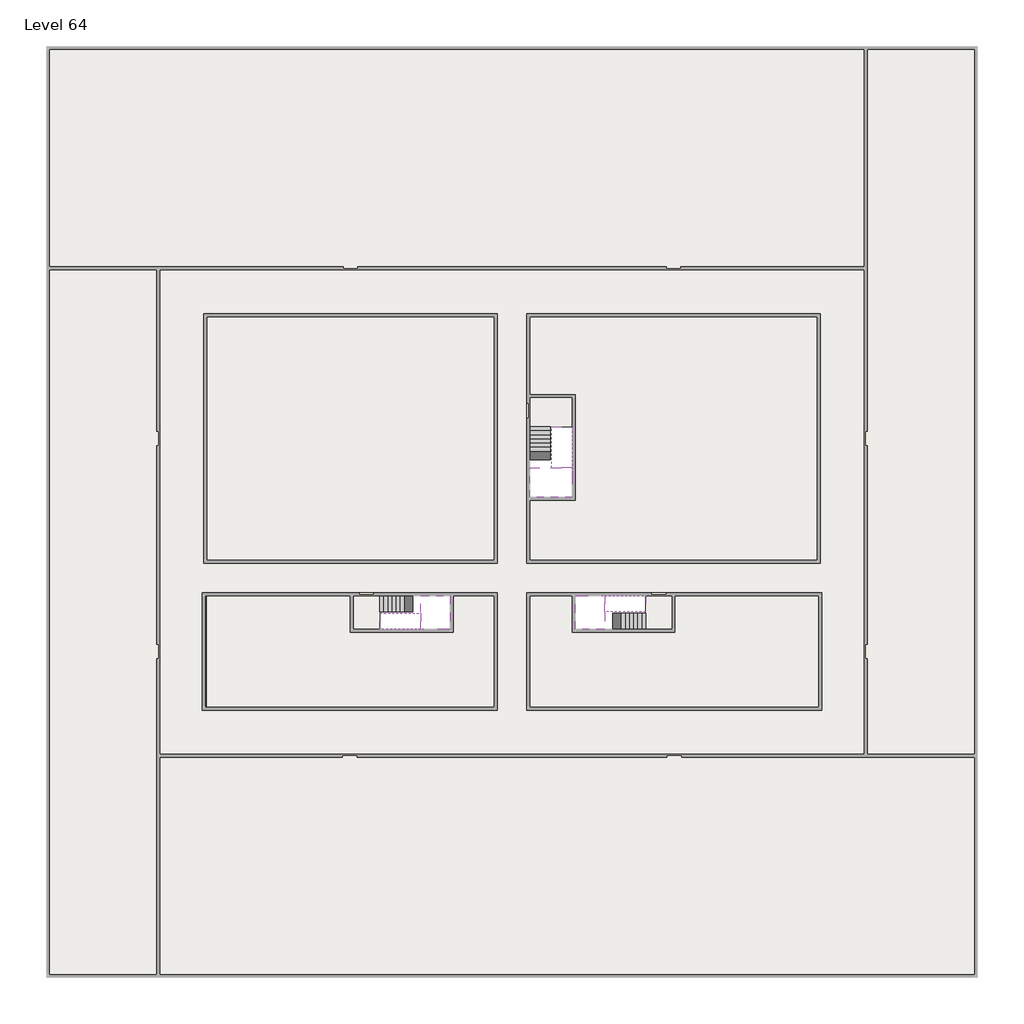
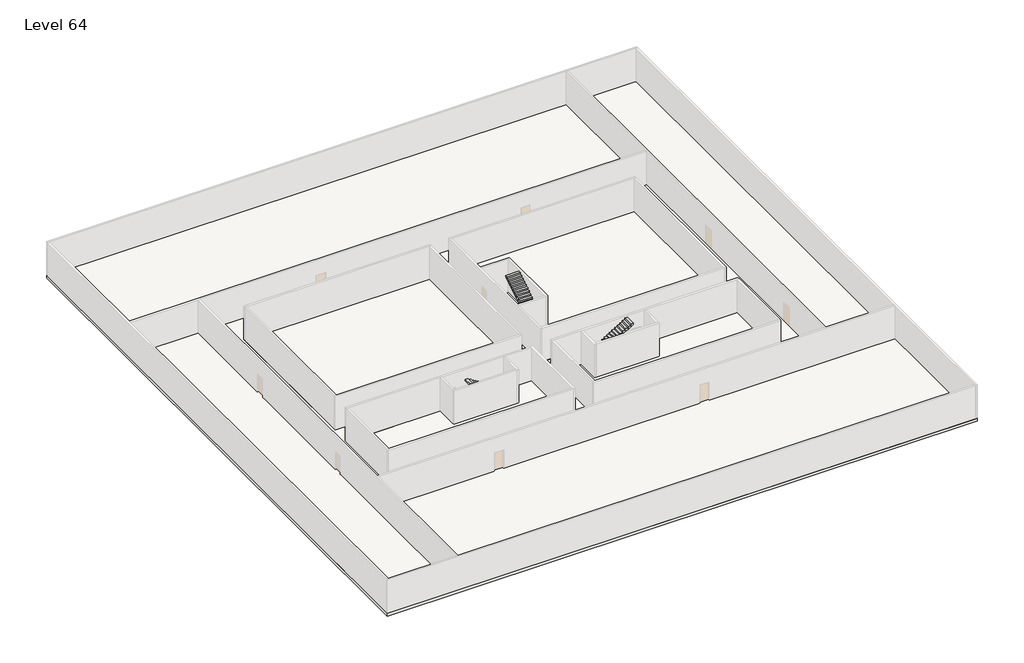
# One storey, part 2 of 2: 6 slabs, 6 stair flights.
"""IFC4 building model written with IfcOpenShell, lengths in millimetres."""

from ifc_helpers import new_model, si_unit, frame, origin, place, context, project, spatial, polyline, outline, extrude, faceted_brep, element, save

model = new_model("IFC4")

# Units and contexts
model_context = context("Model", 3, world=origin())
ifc_project = project(units=[si_unit("LENGTHUNIT", "METRE", prefix="MILLI")], contexts=[model_context])

# Site, building, storey
site = spatial("IfcSite", under=ifc_project)
building = spatial("IfcBuilding", under=site)
storey = spatial("IfcBuildingStorey", under=building, Name="Level 64", Elevation=239400.0)

# Slabs
placement = place(None, origin())
element("IfcSlab", 1, at=placement, inside=storey, context=model_context, shape_type="SweptSolid", body=[
    extrude(outline(polyline([(55890.1058784, -5518.09644), (55890.1058784, -68918.09644), (-7509.8941216, -68918.09644), (-7509.8941216, -5518.09644), (55890.1058784, -5518.09644)]), holes=[polyline([(23190.1058784, -23718.09644), (3190.1058784, -23718.09644), (3190.1058784, -40718.09644), (23190.1058784, -40718.09644), (23190.1058784, -23718.09644)]), polyline([(45190.1058784, -23718.09644), (25190.1058784, -23718.09644), (25190.1058784, -40718.09644), (45190.1058784, -40718.09644), (45190.1058784, -23718.09644)]), polyline([(23190.1058784, -50718.09644), (23190.1058784, -42718.09644), (3390.1058784, -42718.09644), (3390.1058784, -50718.09644), (23190.1058784, -50718.09644)]), polyline([(25190.1058784, -50718.09644), (45190.1058784, -50718.09644), (45190.1058784, -42718.09644), (25190.1058784, -42718.09644), (25190.1058784, -50718.09644)])]), frame((0.0, 0.0, 239100.0), z_axis=(0.0, 0.0, 1.0), x_axis=(1.0, 0.0, 0.0)), (0.0, 0.0, 1.0), 300.0),
])
element("IfcSlab", 2, at=placement, inside=storey, context=model_context, shape_type="Brep", body=[
    faceted_brep([(26790.1058784, -34218.09644, 241300.0), (25390.1058784, -34218.09644, 241300.0), (25390.1058784, -34297.4828763, 241300.0), (25390.1058784, -36218.09644, 241300.0), (28290.1058784, -36218.09644, 241300.0), (28290.1058784, -34418.7100038, 241300.0), (28290.1058784, -34218.09644, 241300.0), (26890.1058784, -34218.09644, 241300.0), (26790.1058784, -34218.09644, 241000.0), (26790.1058784, -34218.09644, 240951.0278478), (25390.1058784, -34218.09644, 240951.0278478), (25390.1058784, -34218.09644, 241127.2727273), (25390.1058784, -34297.4828763, 241000.0), (25390.1058784, -36218.09644, 241000.0), (28290.1058784, -36218.09644, 241000.0), (28290.1058784, -34418.7100038, 241000.0), (28290.1058784, -34218.09644, 241123.7551205), (26890.1058784, -34218.09644, 241123.7551205), (26890.1058784, -34218.09644, 241000.0), (26890.1058784, -34418.7100038, 241000.0), (26790.1058784, -34297.4828763, 241000.0)], [[[0, 1, 2, 3, 4, 5, 6, 7]], [[1, 0, 8, 9, 10, 11]], [[1, 11, 10, 12, 13, 3, 2]], [[4, 3, 13, 14]], [[4, 14, 15, 16, 6, 5]], [[7, 6, 16, 17]], [[0, 7, 17, 18, 8]], [[18, 19, 15, 14, 13, 12, 20, 8]], [[19, 18, 17]], [[20, 12, 10, 9]], [[8, 20, 9]], [[15, 19, 17, 16]]]),
])
element("IfcSlab", 3, at=placement, inside=storey, context=model_context, shape_type="SweptSolid", body=[
    extrude(outline(polyline([(22990.1058784, -23918.09644), (22990.1058784, -40518.09644), (3390.1058784, -40518.09644), (3390.1058784, -23918.09644), (22990.1058784, -23918.09644)])), frame((0.0, 0.0, 239100.0), z_axis=(0.0, 0.0, 1.0), x_axis=(1.0, 0.0, 0.0)), (0.0, 0.0, 1.0), 300.0),
    extrude(outline(polyline([(44990.1058784, -23918.09644), (44990.1058784, -40518.09644), (25390.1058784, -40518.09644), (25390.1058784, -36418.09644), (28490.1058784, -36418.09644), (28490.1058784, -29218.09644), (25390.1058784, -29218.09644), (25390.1058784, -23918.09644), (44990.1058784, -23918.09644)])), frame((0.0, 0.0, 239100.0), z_axis=(0.0, 0.0, 1.0), x_axis=(1.0, 0.0, 0.0)), (0.0, 0.0, 1.0), 300.0),
    extrude(outline(polyline([(22990.1058784, -42918.09644), (22990.1058784, -50518.09644), (3390.1058784, -50518.09644), (3390.1058784, -42918.09644), (13190.1058784, -42918.09644), (13190.1058784, -45418.09644), (20190.1058784, -45418.09644), (20190.1058784, -42918.09644), (22990.1058784, -42918.09644)])), frame((0.0, 0.0, 239100.0), z_axis=(0.0, 0.0, 1.0), x_axis=(1.0, 0.0, 0.0)), (0.0, 0.0, 1.0), 300.0),
    extrude(outline(polyline([(28290.1058784, -42918.09644), (28290.1058784, -45418.09644), (35290.1058784, -45418.09644), (35290.1058784, -42918.09644), (45090.1058784, -42918.09644), (45090.1058784, -50518.09644), (25390.1058784, -50518.09644), (25390.1058784, -42918.09644), (28290.1058784, -42918.09644)])), frame((0.0, 0.0, 239100.0), z_axis=(0.0, 0.0, 1.0), x_axis=(1.0, 0.0, 0.0)), (0.0, 0.0, 1.0), 300.0),
])
element("IfcSlab", 4, at=placement, inside=storey, context=model_context, shape_type="Brep", body=[
    faceted_brep([(30490.1058784, -45218.09644, 241300.0), (30490.1058784, -44118.09644, 241300.0), (30490.1058784, -44018.09644, 241300.0), (30490.1058784, -42918.09644, 241300.0), (30289.4923146, -42918.09644, 241300.0), (28490.1058784, -42918.09644, 241300.0), (28490.1058784, -45218.09644, 241300.0), (30410.7194421, -45218.09644, 241300.0), (30490.1058784, -45218.09644, 241127.2727273), (30490.1058784, -45218.09644, 240951.0278478), (30490.1058784, -44118.09644, 240951.0278478), (30490.1058784, -44118.09644, 241000.0), (30490.1058784, -44018.09644, 241000.0), (30490.1058784, -44018.09644, 241123.7551205), (30490.1058784, -42918.09644, 241123.7551205), (30289.4923146, -42918.09644, 241000.0), (28490.1058784, -42918.09644, 241000.0), (28490.1058784, -45218.09644, 241000.0), (30410.7194421, -45218.09644, 241000.0), (30289.4923146, -44018.09644, 241000.0), (30410.7194421, -44118.09644, 241000.0)], [[[0, 1, 2, 3, 4, 5, 6, 7]], [[1, 0, 8, 9, 10, 11]], [[2, 1, 11, 12, 13]], [[3, 2, 13, 14]], [[3, 14, 15, 16, 5, 4]], [[6, 5, 16, 17]], [[9, 8, 0, 7, 6, 17, 18]], [[19, 12, 11, 20, 18, 17, 16, 15]], [[12, 19, 13]], [[18, 20, 10, 9]], [[20, 11, 10]], [[19, 15, 14, 13]]]),
])
element("IfcSlab", 5, at=placement, inside=storey, context=model_context, shape_type="Brep", body=[
    faceted_brep([(17990.1058784, -42918.09644, 241300.0), (17990.1058784, -44018.09644, 241300.0), (17990.1058784, -44118.09644, 241300.0), (17990.1058784, -45218.09644, 241300.0), (18190.7194421, -45218.09644, 241300.0), (19990.1058784, -45218.09644, 241300.0), (19990.1058784, -42918.09644, 241300.0), (18069.4923146, -42918.09644, 241300.0), (17990.1058784, -42918.09644, 241127.2727273), (17990.1058784, -42918.09644, 240951.0278478), (17990.1058784, -44018.09644, 240951.0278478), (17990.1058784, -44018.09644, 241000.0), (17990.1058784, -44118.09644, 241000.0), (17990.1058784, -44118.09644, 241123.7551205), (17990.1058784, -45218.09644, 241123.7551205), (18190.7194421, -45218.09644, 241000.0), (19990.1058784, -45218.09644, 241000.0), (19990.1058784, -42918.09644, 241000.0), (18069.4923146, -42918.09644, 241000.0), (18190.7194421, -44118.09644, 241000.0), (18069.4923146, -44018.09644, 241000.0)], [[[0, 1, 2, 3, 4, 5, 6, 7]], [[1, 0, 8, 9, 10, 11]], [[2, 1, 11, 12, 13]], [[3, 2, 13, 14]], [[3, 14, 15, 16, 5, 4]], [[6, 5, 16, 17]], [[9, 8, 0, 7, 6, 17, 18]], [[19, 12, 11, 20, 18, 17, 16, 15]], [[12, 19, 13]], [[18, 20, 10, 9]], [[20, 11, 10]], [[19, 15, 14, 13]]]),
])
element("IfcSlab", 6, at=placement, inside=storey, context=model_context, shape_type="SweptSolid", body=[
    extrude(outline(polyline([(25190.1058784, -29418.09644), (28290.1058784, -29418.09644), (28290.1058784, -31418.09644), (25190.1058784, -31418.09644), (25190.1058784, -29418.09644)])), frame((0.0, 0.0, 239100.0), z_axis=(0.0, 0.0, 1.0), x_axis=(1.0, 0.0, 0.0)), (0.0, 0.0, 1.0), 300.0),
    extrude(outline(polyline([(15190.1058784, -45218.09644), (13390.1058784, -45218.09644), (13390.1058784, -42718.09644), (15190.1058784, -42718.09644), (15190.1058784, -45218.09644)])), frame((0.0, 0.0, 239100.0), z_axis=(0.0, 0.0, 1.0), x_axis=(1.0, 0.0, 0.0)), (0.0, 0.0, 1.0), 300.0),
    extrude(outline(polyline([(35090.1058784, -45218.09644), (33290.1058784, -45218.09644), (33290.1058784, -42718.09644), (35090.1058784, -42718.09644), (35090.1058784, -45218.09644)])), frame((0.0, 0.0, 239100.0), z_axis=(0.0, 0.0, 1.0), x_axis=(1.0, 0.0, 0.0)), (0.0, 0.0, 1.0), 300.0),
])

# Stair flights
element("IfcStairFlight", 7, at=placement, inside=storey, context=model_context, shape_type="Brep", body=[
    faceted_brep([(26790.1058784, -31698.09644, 239572.7272727), (26790.1058784, -31418.09644, 239572.7272727), (25390.1058784, -31418.09644, 239572.7272727), (25390.1058784, -31698.09644, 239572.7272727), (26790.1058784, -31698.09644, 239400.0), (26790.1058784, -31418.09644, 239400.0), (25390.1058784, -31418.09644, 239400.0), (25390.1058784, -31698.09644, 239400.0), (26790.1058784, -31978.09644, 239745.4545455), (26790.1058784, -31698.09644, 239745.4545455), (25390.1058784, -31698.09644, 239745.4545455), (25390.1058784, -31978.09644, 239745.4545455), (26790.1058784, -31978.09644, 239569.209666), (26790.1058784, -31703.7986657, 239400.0), (25390.1058784, -31703.7986657, 239400.0), (25390.1058784, -31978.09644, 239569.209666), (26790.1058784, -32258.09644, 239918.1818182), (26790.1058784, -31978.09644, 239918.1818182), (25390.1058784, -31978.09644, 239918.1818182), (25390.1058784, -32258.09644, 239918.1818182), (26790.1058784, -32258.09644, 239741.9369387), (25390.1058784, -32258.09644, 239741.9369387), (26790.1058784, -32538.09644, 240090.9090909), (26790.1058784, -32258.09644, 240090.9090909), (25390.1058784, -32258.09644, 240090.9090909), (25390.1058784, -32538.09644, 240090.9090909), (26790.1058784, -32538.09644, 239914.6642114), (25390.1058784, -32538.09644, 239914.6642114), (26790.1058784, -32818.09644, 240263.6363636), (26790.1058784, -32538.09644, 240263.6363636), (25390.1058784, -32538.09644, 240263.6363636), (25390.1058784, -32818.09644, 240263.6363636), (26790.1058784, -32818.09644, 240087.3914841), (25390.1058784, -32818.09644, 240087.3914841), (26790.1058784, -33098.09644, 240436.3636364), (26790.1058784, -32818.09644, 240436.3636364), (25390.1058784, -32818.09644, 240436.3636364), (25390.1058784, -33098.09644, 240436.3636364), (26790.1058784, -33098.09644, 240260.1187569), (25390.1058784, -33098.09644, 240260.1187569), (26790.1058784, -33378.09644, 240609.0909091), (26790.1058784, -33098.09644, 240609.0909091), (25390.1058784, -33098.09644, 240609.0909091), (25390.1058784, -33378.09644, 240609.0909091), (26790.1058784, -33378.09644, 240432.8460296), (25390.1058784, -33378.09644, 240432.8460296), (26790.1058784, -33658.09644, 240781.8181818), (26790.1058784, -33378.09644, 240781.8181818), (25390.1058784, -33378.09644, 240781.8181818), (25390.1058784, -33658.09644, 240781.8181818), (26790.1058784, -33658.09644, 240605.5733023), (25390.1058784, -33658.09644, 240605.5733023), (26790.1058784, -33938.09644, 240954.5454545), (26790.1058784, -33658.09644, 240954.5454545), (25390.1058784, -33658.09644, 240954.5454545), (25390.1058784, -33938.09644, 240954.5454545), (26790.1058784, -33938.09644, 240778.3005751), (25390.1058784, -33938.09644, 240778.3005751), (26790.1058784, -34218.09644, 241127.2727273), (26790.1058784, -33938.09644, 241127.2727273), (25390.1058784, -33938.09644, 241127.2727273), (25390.1058784, -34218.09644, 241127.2727273), (26790.1058784, -34218.09644, 241000.0), (26790.1058784, -34218.09644, 240951.0278478), (25390.1058784, -34218.09644, 240951.0278478)], [[[0, 1, 2, 3]], [[1, 0, 4, 5]], [[2, 1, 5, 6]], [[3, 2, 6, 7]], [[8, 9, 10, 11]], [[4, 0, 9, 8, 12, 13]], [[0, 3, 10, 9]], [[3, 7, 14, 15, 11, 10]], [[16, 17, 18, 19]], [[17, 16, 20, 12, 8]], [[8, 11, 18, 17]], [[19, 18, 11, 15, 21]], [[22, 23, 24, 25]], [[23, 22, 26, 20, 16]], [[16, 19, 24, 23]], [[25, 24, 19, 21, 27]], [[28, 29, 30, 31]], [[29, 28, 32, 26, 22]], [[22, 25, 30, 29]], [[31, 30, 25, 27, 33]], [[34, 35, 36, 37]], [[35, 34, 38, 32, 28]], [[28, 31, 36, 35]], [[37, 36, 31, 33, 39]], [[40, 41, 42, 43]], [[41, 40, 44, 38, 34]], [[34, 37, 42, 41]], [[43, 42, 37, 39, 45]], [[46, 47, 48, 49]], [[47, 46, 50, 44, 40]], [[40, 43, 48, 47]], [[49, 48, 43, 45, 51]], [[52, 53, 54, 55]], [[53, 52, 56, 50, 46]], [[46, 49, 54, 53]], [[55, 54, 49, 51, 57]], [[58, 59, 60, 61]], [[59, 58, 62, 63, 56, 52]], [[52, 55, 60, 59]], [[61, 60, 55, 57, 64]], [[58, 61, 64, 63, 62]], [[5, 4, 13, 14, 7, 6]], [[14, 13, 12, 20, 26, 32, 38, 44, 50, 56, 63, 64, 57, 51, 45, 39, 33, 27, 21, 15]]]),
])
element("IfcStairFlight", 8, at=placement, inside=storey, context=model_context, shape_type="Brep", body=[
    faceted_brep([(26890.1058784, -33938.09644, 241472.7272727), (26890.1058784, -34218.09644, 241472.7272727), (28290.1058784, -34218.09644, 241472.7272727), (28290.1058784, -33938.09644, 241472.7272727), (26890.1058784, -33938.09644, 241296.4823932), (26890.1058784, -34218.09644, 241123.7551205), (28290.1058784, -34218.09644, 241123.7551205), (28290.1058784, -34218.09644, 241300.0), (28290.1058784, -33938.09644, 241296.4823932), (26890.1058784, -33658.09644, 241645.4545455), (26890.1058784, -33938.09644, 241645.4545455), (28290.1058784, -33938.09644, 241645.4545455), (28290.1058784, -33658.09644, 241645.4545455), (26890.1058784, -33658.09644, 241469.209666), (28290.1058784, -33658.09644, 241469.209666), (26890.1058784, -33378.09644, 241818.1818182), (26890.1058784, -33658.09644, 241818.1818182), (28290.1058784, -33658.09644, 241818.1818182), (28290.1058784, -33378.09644, 241818.1818182), (26890.1058784, -33378.09644, 241641.9369387), (28290.1058784, -33378.09644, 241641.9369387), (26890.1058784, -33098.09644, 241990.9090909), (26890.1058784, -33378.09644, 241990.9090909), (28290.1058784, -33378.09644, 241990.9090909), (28290.1058784, -33098.09644, 241990.9090909), (26890.1058784, -33098.09644, 241814.6642114), (28290.1058784, -33098.09644, 241814.6642114), (26890.1058784, -32818.09644, 242163.6363636), (26890.1058784, -33098.09644, 242163.6363636), (28290.1058784, -33098.09644, 242163.6363636), (28290.1058784, -32818.09644, 242163.6363636), (26890.1058784, -32818.09644, 241987.3914841), (28290.1058784, -32818.09644, 241987.3914841), (26890.1058784, -32538.09644, 242336.3636364), (26890.1058784, -32818.09644, 242336.3636364), (28290.1058784, -32818.09644, 242336.3636364), (28290.1058784, -32538.09644, 242336.3636364), (26890.1058784, -32538.09644, 242160.1187569), (28290.1058784, -32538.09644, 242160.1187569), (26890.1058784, -32258.09644, 242509.0909091), (26890.1058784, -32538.09644, 242509.0909091), (28290.1058784, -32538.09644, 242509.0909091), (28290.1058784, -32258.09644, 242509.0909091), (26890.1058784, -32258.09644, 242332.8460296), (28290.1058784, -32258.09644, 242332.8460296), (26890.1058784, -31978.09644, 242681.8181818), (26890.1058784, -32258.09644, 242681.8181818), (28290.1058784, -32258.09644, 242681.8181818), (28290.1058784, -31978.09644, 242681.8181818), (26890.1058784, -31978.09644, 242505.5733023), (28290.1058784, -31978.09644, 242505.5733023), (26890.1058784, -31698.09644, 242854.5454545), (26890.1058784, -31978.09644, 242854.5454545), (28290.1058784, -31978.09644, 242854.5454545), (28290.1058784, -31698.09644, 242854.5454545), (26890.1058784, -31698.09644, 242678.3005751), (28290.1058784, -31698.09644, 242678.3005751), (26890.1058784, -31418.09644, 243027.2727273), (26890.1058784, -31698.09644, 243027.2727273), (28290.1058784, -31698.09644, 243027.2727273), (28290.1058784, -31418.09644, 243027.2727273), (26890.1058784, -31418.09644, 242851.0278478), (28290.1058784, -31418.09644, 242851.0278478)], [[[0, 1, 2, 3]], [[1, 0, 4, 5]], [[2, 1, 5, 6, 7]], [[3, 2, 7, 6, 8]], [[9, 10, 11, 12]], [[10, 9, 13, 4, 0]], [[11, 10, 0, 3]], [[12, 11, 3, 8, 14]], [[15, 16, 17, 18]], [[16, 15, 19, 13, 9]], [[17, 16, 9, 12]], [[18, 17, 12, 14, 20]], [[21, 22, 23, 24]], [[22, 21, 25, 19, 15]], [[23, 22, 15, 18]], [[24, 23, 18, 20, 26]], [[27, 28, 29, 30]], [[28, 27, 31, 25, 21]], [[29, 28, 21, 24]], [[30, 29, 24, 26, 32]], [[33, 34, 35, 36]], [[34, 33, 37, 31, 27]], [[35, 34, 27, 30]], [[36, 35, 30, 32, 38]], [[39, 40, 41, 42]], [[40, 39, 43, 37, 33]], [[41, 40, 33, 36]], [[42, 41, 36, 38, 44]], [[45, 46, 47, 48]], [[46, 45, 49, 43, 39]], [[47, 46, 39, 42]], [[48, 47, 42, 44, 50]], [[51, 52, 53, 54]], [[52, 51, 55, 49, 45]], [[53, 52, 45, 48]], [[54, 53, 48, 50, 56]], [[57, 58, 59, 60]], [[58, 57, 61, 55, 51]], [[59, 58, 51, 54]], [[60, 59, 54, 56, 62]], [[57, 60, 62, 61]], [[5, 4, 13, 19, 25, 31, 37, 43, 49, 55, 61, 62, 56, 50, 44, 38, 32, 26, 20, 14, 8, 6]]]),
])
element("IfcStairFlight", 9, at=placement, inside=storey, context=model_context, shape_type="Brep", body=[
    faceted_brep([(33010.1058784, -45218.09644, 239572.7272727), (33290.1058784, -45218.09644, 239572.7272727), (33290.1058784, -44118.09644, 239572.7272727), (33010.1058784, -44118.09644, 239572.7272727), (33010.1058784, -45218.09644, 239400.0), (33290.1058784, -45218.09644, 239400.0), (33290.1058784, -44118.09644, 239400.0), (33010.1058784, -44118.09644, 239400.0), (32730.1058784, -45218.09644, 239745.4545455), (33010.1058784, -45218.09644, 239745.4545455), (33010.1058784, -44118.09644, 239745.4545455), (32730.1058784, -44118.09644, 239745.4545455), (32730.1058784, -45218.09644, 239569.209666), (33004.4036527, -45218.09644, 239400.0), (33004.4036527, -44118.09644, 239400.0), (32730.1058784, -44118.09644, 239569.209666), (32450.1058784, -45218.09644, 239918.1818182), (32730.1058784, -45218.09644, 239918.1818182), (32730.1058784, -44118.09644, 239918.1818182), (32450.1058784, -44118.09644, 239918.1818182), (32450.1058784, -45218.09644, 239741.9369387), (32450.1058784, -44118.09644, 239741.9369387), (32170.1058784, -45218.09644, 240090.9090909), (32450.1058784, -45218.09644, 240090.9090909), (32450.1058784, -44118.09644, 240090.9090909), (32170.1058784, -44118.09644, 240090.9090909), (32170.1058784, -45218.09644, 239914.6642114), (32170.1058784, -44118.09644, 239914.6642114), (31890.1058784, -45218.09644, 240263.6363636), (32170.1058784, -45218.09644, 240263.6363636), (32170.1058784, -44118.09644, 240263.6363636), (31890.1058784, -44118.09644, 240263.6363636), (31890.1058784, -45218.09644, 240087.3914841), (31890.1058784, -44118.09644, 240087.3914841), (31610.1058784, -45218.09644, 240436.3636364), (31890.1058784, -45218.09644, 240436.3636364), (31890.1058784, -44118.09644, 240436.3636364), (31610.1058784, -44118.09644, 240436.3636364), (31610.1058784, -45218.09644, 240260.1187569), (31610.1058784, -44118.09644, 240260.1187569), (31330.1058784, -45218.09644, 240609.0909091), (31610.1058784, -45218.09644, 240609.0909091), (31610.1058784, -44118.09644, 240609.0909091), (31330.1058784, -44118.09644, 240609.0909091), (31330.1058784, -45218.09644, 240432.8460296), (31330.1058784, -44118.09644, 240432.8460296), (31050.1058784, -45218.09644, 240781.8181818), (31330.1058784, -45218.09644, 240781.8181818), (31330.1058784, -44118.09644, 240781.8181818), (31050.1058784, -44118.09644, 240781.8181818), (31050.1058784, -45218.09644, 240605.5733023), (31050.1058784, -44118.09644, 240605.5733023), (30770.1058784, -45218.09644, 240954.5454545), (31050.1058784, -45218.09644, 240954.5454545), (31050.1058784, -44118.09644, 240954.5454545), (30770.1058784, -44118.09644, 240954.5454545), (30770.1058784, -45218.09644, 240778.3005751), (30770.1058784, -44118.09644, 240778.3005751), (30490.1058784, -45218.09644, 241127.2727273), (30770.1058784, -45218.09644, 241127.2727273), (30770.1058784, -44118.09644, 241127.2727273), (30490.1058784, -44118.09644, 241127.2727273), (30490.1058784, -45218.09644, 240951.0278478), (30490.1058784, -44118.09644, 240951.0278478), (30490.1058784, -44118.09644, 241000.0)], [[[0, 1, 2, 3]], [[1, 0, 4, 5]], [[2, 1, 5, 6]], [[3, 2, 6, 7]], [[8, 9, 10, 11]], [[4, 0, 9, 8, 12, 13]], [[0, 3, 10, 9]], [[3, 7, 14, 15, 11, 10]], [[16, 17, 18, 19]], [[17, 16, 20, 12, 8]], [[8, 11, 18, 17]], [[19, 18, 11, 15, 21]], [[22, 23, 24, 25]], [[23, 22, 26, 20, 16]], [[16, 19, 24, 23]], [[25, 24, 19, 21, 27]], [[28, 29, 30, 31]], [[29, 28, 32, 26, 22]], [[22, 25, 30, 29]], [[31, 30, 25, 27, 33]], [[34, 35, 36, 37]], [[35, 34, 38, 32, 28]], [[28, 31, 36, 35]], [[37, 36, 31, 33, 39]], [[40, 41, 42, 43]], [[41, 40, 44, 38, 34]], [[34, 37, 42, 41]], [[43, 42, 37, 39, 45]], [[46, 47, 48, 49]], [[47, 46, 50, 44, 40]], [[40, 43, 48, 47]], [[49, 48, 43, 45, 51]], [[52, 53, 54, 55]], [[53, 52, 56, 50, 46]], [[46, 49, 54, 53]], [[55, 54, 49, 51, 57]], [[58, 59, 60, 61]], [[59, 58, 62, 56, 52]], [[52, 55, 60, 59]], [[61, 60, 55, 57, 63, 64]], [[58, 61, 64, 63, 62]], [[5, 4, 13, 14, 7, 6]], [[14, 13, 12, 20, 26, 32, 38, 44, 50, 56, 62, 63, 57, 51, 45, 39, 33, 27, 21, 15]]]),
])
element("IfcStairFlight", 10, at=placement, inside=storey, context=model_context, shape_type="Brep", body=[
    faceted_brep([(30770.1058784, -42918.09644, 241472.7272727), (30490.1058784, -42918.09644, 241472.7272727), (30490.1058784, -44018.09644, 241472.7272727), (30770.1058784, -44018.09644, 241472.7272727), (30770.1058784, -42918.09644, 241296.4823932), (30490.1058784, -42918.09644, 241123.7551205), (30490.1058784, -42918.09644, 241300.0), (30490.1058784, -44018.09644, 241123.7551205), (30770.1058784, -44018.09644, 241296.4823932), (31050.1058784, -42918.09644, 241645.4545455), (30770.1058784, -42918.09644, 241645.4545455), (30770.1058784, -44018.09644, 241645.4545455), (31050.1058784, -44018.09644, 241645.4545455), (31050.1058784, -42918.09644, 241469.209666), (31050.1058784, -44018.09644, 241469.209666), (31330.1058784, -42918.09644, 241818.1818182), (31050.1058784, -42918.09644, 241818.1818182), (31050.1058784, -44018.09644, 241818.1818182), (31330.1058784, -44018.09644, 241818.1818182), (31330.1058784, -42918.09644, 241641.9369387), (31330.1058784, -44018.09644, 241641.9369387), (31610.1058784, -42918.09644, 241990.9090909), (31330.1058784, -42918.09644, 241990.9090909), (31330.1058784, -44018.09644, 241990.9090909), (31610.1058784, -44018.09644, 241990.9090909), (31610.1058784, -42918.09644, 241814.6642114), (31610.1058784, -44018.09644, 241814.6642114), (31890.1058784, -42918.09644, 242163.6363636), (31610.1058784, -42918.09644, 242163.6363636), (31610.1058784, -44018.09644, 242163.6363636), (31890.1058784, -44018.09644, 242163.6363636), (31890.1058784, -42918.09644, 241987.3914841), (31890.1058784, -44018.09644, 241987.3914841), (32170.1058784, -42918.09644, 242336.3636364), (31890.1058784, -42918.09644, 242336.3636364), (31890.1058784, -44018.09644, 242336.3636364), (32170.1058784, -44018.09644, 242336.3636364), (32170.1058784, -42918.09644, 242160.1187569), (32170.1058784, -44018.09644, 242160.1187569), (32450.1058784, -42918.09644, 242509.0909091), (32170.1058784, -42918.09644, 242509.0909091), (32170.1058784, -44018.09644, 242509.0909091), (32450.1058784, -44018.09644, 242509.0909091), (32450.1058784, -42918.09644, 242332.8460296), (32450.1058784, -44018.09644, 242332.8460296), (32730.1058784, -42918.09644, 242681.8181818), (32450.1058784, -42918.09644, 242681.8181818), (32450.1058784, -44018.09644, 242681.8181818), (32730.1058784, -44018.09644, 242681.8181818), (32730.1058784, -42918.09644, 242505.5733023), (32730.1058784, -44018.09644, 242505.5733023), (33010.1058784, -42918.09644, 242854.5454545), (32730.1058784, -42918.09644, 242854.5454545), (32730.1058784, -44018.09644, 242854.5454545), (33010.1058784, -44018.09644, 242854.5454545), (33010.1058784, -42918.09644, 242678.3005751), (33010.1058784, -44018.09644, 242678.3005751), (33290.1058784, -42918.09644, 243027.2727273), (33010.1058784, -42918.09644, 243027.2727273), (33010.1058784, -44018.09644, 243027.2727273), (33290.1058784, -44018.09644, 243027.2727273), (33290.1058784, -42918.09644, 242851.0278478), (33290.1058784, -44018.09644, 242851.0278478)], [[[0, 1, 2, 3]], [[1, 0, 4, 5, 6]], [[2, 1, 6, 5, 7]], [[3, 2, 7, 8]], [[9, 10, 11, 12]], [[10, 9, 13, 4, 0]], [[11, 10, 0, 3]], [[12, 11, 3, 8, 14]], [[15, 16, 17, 18]], [[16, 15, 19, 13, 9]], [[17, 16, 9, 12]], [[18, 17, 12, 14, 20]], [[21, 22, 23, 24]], [[22, 21, 25, 19, 15]], [[23, 22, 15, 18]], [[24, 23, 18, 20, 26]], [[27, 28, 29, 30]], [[28, 27, 31, 25, 21]], [[29, 28, 21, 24]], [[30, 29, 24, 26, 32]], [[33, 34, 35, 36]], [[34, 33, 37, 31, 27]], [[35, 34, 27, 30]], [[36, 35, 30, 32, 38]], [[39, 40, 41, 42]], [[40, 39, 43, 37, 33]], [[41, 40, 33, 36]], [[42, 41, 36, 38, 44]], [[45, 46, 47, 48]], [[46, 45, 49, 43, 39]], [[47, 46, 39, 42]], [[48, 47, 42, 44, 50]], [[51, 52, 53, 54]], [[52, 51, 55, 49, 45]], [[53, 52, 45, 48]], [[54, 53, 48, 50, 56]], [[57, 58, 59, 60]], [[58, 57, 61, 55, 51]], [[59, 58, 51, 54]], [[60, 59, 54, 56, 62]], [[57, 60, 62, 61]], [[5, 4, 13, 19, 25, 31, 37, 43, 49, 55, 61, 62, 56, 50, 44, 38, 32, 26, 20, 14, 8, 7]]]),
])
element("IfcStairFlight", 11, at=placement, inside=storey, context=model_context, shape_type="Brep", body=[
    faceted_brep([(15470.1058784, -42918.09644, 239572.7272727), (15190.1058784, -42918.09644, 239572.7272727), (15190.1058784, -44018.09644, 239572.7272727), (15470.1058784, -44018.09644, 239572.7272727), (15470.1058784, -42918.09644, 239400.0), (15190.1058784, -42918.09644, 239400.0), (15190.1058784, -44018.09644, 239400.0), (15470.1058784, -44018.09644, 239400.0), (15750.1058784, -42918.09644, 239745.4545455), (15470.1058784, -42918.09644, 239745.4545455), (15470.1058784, -44018.09644, 239745.4545455), (15750.1058784, -44018.09644, 239745.4545455), (15750.1058784, -42918.09644, 239569.209666), (15475.8081041, -42918.09644, 239400.0), (15475.8081041, -44018.09644, 239400.0), (15750.1058784, -44018.09644, 239569.209666), (16030.1058784, -42918.09644, 239918.1818182), (15750.1058784, -42918.09644, 239918.1818182), (15750.1058784, -44018.09644, 239918.1818182), (16030.1058784, -44018.09644, 239918.1818182), (16030.1058784, -42918.09644, 239741.9369387), (16030.1058784, -44018.09644, 239741.9369387), (16310.1058784, -42918.09644, 240090.9090909), (16030.1058784, -42918.09644, 240090.9090909), (16030.1058784, -44018.09644, 240090.9090909), (16310.1058784, -44018.09644, 240090.9090909), (16310.1058784, -42918.09644, 239914.6642114), (16310.1058784, -44018.09644, 239914.6642114), (16590.1058784, -42918.09644, 240263.6363636), (16310.1058784, -42918.09644, 240263.6363636), (16310.1058784, -44018.09644, 240263.6363636), (16590.1058784, -44018.09644, 240263.6363636), (16590.1058784, -42918.09644, 240087.3914841), (16590.1058784, -44018.09644, 240087.3914841), (16870.1058784, -42918.09644, 240436.3636364), (16590.1058784, -42918.09644, 240436.3636364), (16590.1058784, -44018.09644, 240436.3636364), (16870.1058784, -44018.09644, 240436.3636364), (16870.1058784, -42918.09644, 240260.1187569), (16870.1058784, -44018.09644, 240260.1187569), (17150.1058784, -42918.09644, 240609.0909091), (16870.1058784, -42918.09644, 240609.0909091), (16870.1058784, -44018.09644, 240609.0909091), (17150.1058784, -44018.09644, 240609.0909091), (17150.1058784, -42918.09644, 240432.8460296), (17150.1058784, -44018.09644, 240432.8460296), (17430.1058784, -42918.09644, 240781.8181818), (17150.1058784, -42918.09644, 240781.8181818), (17150.1058784, -44018.09644, 240781.8181818), (17430.1058784, -44018.09644, 240781.8181818), (17430.1058784, -42918.09644, 240605.5733023), (17430.1058784, -44018.09644, 240605.5733023), (17710.1058784, -42918.09644, 240954.5454545), (17430.1058784, -42918.09644, 240954.5454545), (17430.1058784, -44018.09644, 240954.5454545), (17710.1058784, -44018.09644, 240954.5454545), (17710.1058784, -42918.09644, 240778.3005751), (17710.1058784, -44018.09644, 240778.3005751), (17990.1058784, -42918.09644, 241127.2727273), (17710.1058784, -42918.09644, 241127.2727273), (17710.1058784, -44018.09644, 241127.2727273), (17990.1058784, -44018.09644, 241127.2727273), (17990.1058784, -42918.09644, 240951.0278478), (17990.1058784, -44018.09644, 240951.0278478), (17990.1058784, -44018.09644, 241000.0)], [[[0, 1, 2, 3]], [[1, 0, 4, 5]], [[2, 1, 5, 6]], [[3, 2, 6, 7]], [[8, 9, 10, 11]], [[4, 0, 9, 8, 12, 13]], [[0, 3, 10, 9]], [[3, 7, 14, 15, 11, 10]], [[16, 17, 18, 19]], [[17, 16, 20, 12, 8]], [[8, 11, 18, 17]], [[19, 18, 11, 15, 21]], [[22, 23, 24, 25]], [[23, 22, 26, 20, 16]], [[16, 19, 24, 23]], [[25, 24, 19, 21, 27]], [[28, 29, 30, 31]], [[29, 28, 32, 26, 22]], [[22, 25, 30, 29]], [[31, 30, 25, 27, 33]], [[34, 35, 36, 37]], [[35, 34, 38, 32, 28]], [[28, 31, 36, 35]], [[37, 36, 31, 33, 39]], [[40, 41, 42, 43]], [[41, 40, 44, 38, 34]], [[34, 37, 42, 41]], [[43, 42, 37, 39, 45]], [[46, 47, 48, 49]], [[47, 46, 50, 44, 40]], [[40, 43, 48, 47]], [[49, 48, 43, 45, 51]], [[52, 53, 54, 55]], [[53, 52, 56, 50, 46]], [[46, 49, 54, 53]], [[55, 54, 49, 51, 57]], [[58, 59, 60, 61]], [[59, 58, 62, 56, 52]], [[52, 55, 60, 59]], [[61, 60, 55, 57, 63, 64]], [[58, 61, 64, 63, 62]], [[5, 4, 13, 14, 7, 6]], [[14, 13, 12, 20, 26, 32, 38, 44, 50, 56, 62, 63, 57, 51, 45, 39, 33, 27, 21, 15]]]),
])
element("IfcStairFlight", 12, at=placement, inside=storey, context=model_context, shape_type="Brep", body=[
    faceted_brep([(17710.1058784, -45218.09644, 241472.7272727), (17990.1058784, -45218.09644, 241472.7272727), (17990.1058784, -44118.09644, 241472.7272727), (17710.1058784, -44118.09644, 241472.7272727), (17710.1058784, -45218.09644, 241296.4823932), (17990.1058784, -45218.09644, 241123.7551205), (17990.1058784, -45218.09644, 241300.0), (17990.1058784, -44118.09644, 241123.7551205), (17710.1058784, -44118.09644, 241296.4823932), (17430.1058784, -45218.09644, 241645.4545455), (17710.1058784, -45218.09644, 241645.4545455), (17710.1058784, -44118.09644, 241645.4545455), (17430.1058784, -44118.09644, 241645.4545455), (17430.1058784, -45218.09644, 241469.209666), (17430.1058784, -44118.09644, 241469.209666), (17150.1058784, -45218.09644, 241818.1818182), (17430.1058784, -45218.09644, 241818.1818182), (17430.1058784, -44118.09644, 241818.1818182), (17150.1058784, -44118.09644, 241818.1818182), (17150.1058784, -45218.09644, 241641.9369387), (17150.1058784, -44118.09644, 241641.9369387), (16870.1058784, -45218.09644, 241990.9090909), (17150.1058784, -45218.09644, 241990.9090909), (17150.1058784, -44118.09644, 241990.9090909), (16870.1058784, -44118.09644, 241990.9090909), (16870.1058784, -45218.09644, 241814.6642114), (16870.1058784, -44118.09644, 241814.6642114), (16590.1058784, -45218.09644, 242163.6363636), (16870.1058784, -45218.09644, 242163.6363636), (16870.1058784, -44118.09644, 242163.6363636), (16590.1058784, -44118.09644, 242163.6363636), (16590.1058784, -45218.09644, 241987.3914841), (16590.1058784, -44118.09644, 241987.3914841), (16310.1058784, -45218.09644, 242336.3636364), (16590.1058784, -45218.09644, 242336.3636364), (16590.1058784, -44118.09644, 242336.3636364), (16310.1058784, -44118.09644, 242336.3636364), (16310.1058784, -45218.09644, 242160.1187569), (16310.1058784, -44118.09644, 242160.1187569), (16030.1058784, -45218.09644, 242509.0909091), (16310.1058784, -45218.09644, 242509.0909091), (16310.1058784, -44118.09644, 242509.0909091), (16030.1058784, -44118.09644, 242509.0909091), (16030.1058784, -45218.09644, 242332.8460296), (16030.1058784, -44118.09644, 242332.8460296), (15750.1058784, -45218.09644, 242681.8181818), (16030.1058784, -45218.09644, 242681.8181818), (16030.1058784, -44118.09644, 242681.8181818), (15750.1058784, -44118.09644, 242681.8181818), (15750.1058784, -45218.09644, 242505.5733023), (15750.1058784, -44118.09644, 242505.5733023), (15470.1058784, -45218.09644, 242854.5454545), (15750.1058784, -45218.09644, 242854.5454545), (15750.1058784, -44118.09644, 242854.5454545), (15470.1058784, -44118.09644, 242854.5454545), (15470.1058784, -45218.09644, 242678.3005751), (15470.1058784, -44118.09644, 242678.3005751), (15190.1058784, -45218.09644, 243027.2727273), (15470.1058784, -45218.09644, 243027.2727273), (15470.1058784, -44118.09644, 243027.2727273), (15190.1058784, -44118.09644, 243027.2727273), (15190.1058784, -45218.09644, 242851.0278478), (15190.1058784, -44118.09644, 242851.0278478)], [[[0, 1, 2, 3]], [[1, 0, 4, 5, 6]], [[2, 1, 6, 5, 7]], [[3, 2, 7, 8]], [[9, 10, 11, 12]], [[10, 9, 13, 4, 0]], [[11, 10, 0, 3]], [[12, 11, 3, 8, 14]], [[15, 16, 17, 18]], [[16, 15, 19, 13, 9]], [[17, 16, 9, 12]], [[18, 17, 12, 14, 20]], [[21, 22, 23, 24]], [[22, 21, 25, 19, 15]], [[23, 22, 15, 18]], [[24, 23, 18, 20, 26]], [[27, 28, 29, 30]], [[28, 27, 31, 25, 21]], [[29, 28, 21, 24]], [[30, 29, 24, 26, 32]], [[33, 34, 35, 36]], [[34, 33, 37, 31, 27]], [[35, 34, 27, 30]], [[36, 35, 30, 32, 38]], [[39, 40, 41, 42]], [[40, 39, 43, 37, 33]], [[41, 40, 33, 36]], [[42, 41, 36, 38, 44]], [[45, 46, 47, 48]], [[46, 45, 49, 43, 39]], [[47, 46, 39, 42]], [[48, 47, 42, 44, 50]], [[51, 52, 53, 54]], [[52, 51, 55, 49, 45]], [[53, 52, 45, 48]], [[54, 53, 48, 50, 56]], [[57, 58, 59, 60]], [[58, 57, 61, 55, 51]], [[59, 58, 51, 54]], [[60, 59, 54, 56, 62]], [[57, 60, 62, 61]], [[5, 4, 13, 19, 25, 31, 37, 43, 49, 55, 61, 62, 56, 50, 44, 38, 32, 26, 20, 14, 8, 7]]]),
])

save(model, "model.ifc")
